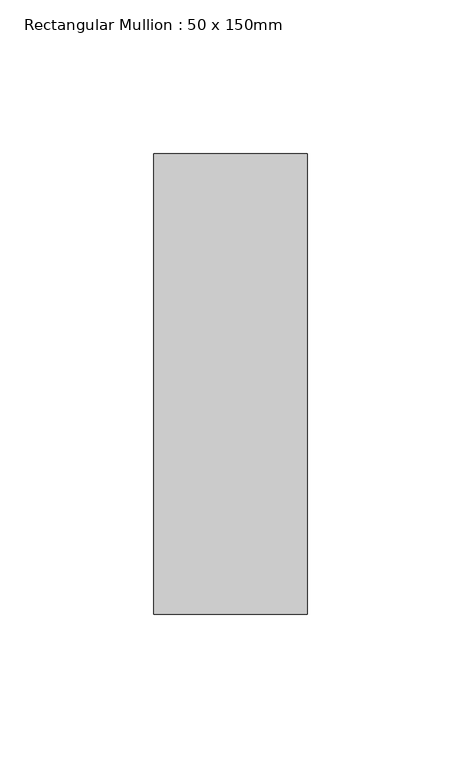
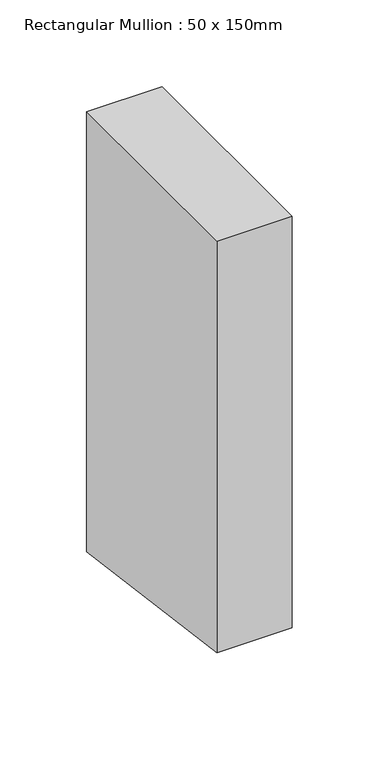
"""IFC4 building model written with IfcOpenShell, lengths in millimetres: member geometry, Rectangular Mullion : 50 x 150mm."""

from ifc_helpers import new_model, si_unit, frame, origin, place, context, project, spatial, polyline, outline, extrude, source, transform, mapped, element, save


def rectangular_mullion_50_x_150mm_b37408ba(model_context):
    return source(origin(), model_context, "Body", "SweptSolid", [
        extrude(outline(polyline([(-75.0, 0.0), (75.0, 0.0), (75.0, -309.1655646), (-75.0, -289.1428371), (-75.0, 0.0)])), frame((-50.0, 0.0, 0.0), z_axis=(1.0, 0.0, 0.0), x_axis=(0.0, 1.0, 0.0)), (0.0, 0.0, 1.0), 50.0),
    ])


if __name__ == "__main__":
    model = new_model("IFC4")
    model_context = context("Model", 3, world=origin())
    ifc_project = project(units=[si_unit("LENGTHUNIT", "METRE", prefix="MILLI")], contexts=[model_context])
    site = spatial("IfcSite", under=ifc_project)
    building = spatial("IfcBuilding", under=site)
    placement = place(None, origin())
    rectangular_mullion_50_x_150mm_shape = rectangular_mullion_50_x_150mm_b37408ba(model_context)
    element("IfcMember", 1, ObjectType="Rectangular Mullion : 50 x 150mm", at=placement, inside=building, context=model_context, shape_type="MappedRepresentation", body=[
        mapped(rectangular_mullion_50_x_150mm_shape, transform((0.0, 0.0, 0.0), x_axis=(1.0, 0.0, 0.0), y_axis=(0.0, 1.0, 0.0), z_axis=(0.0, 0.0, 1.0))),
    ])
    save(model, "model.ifc")
